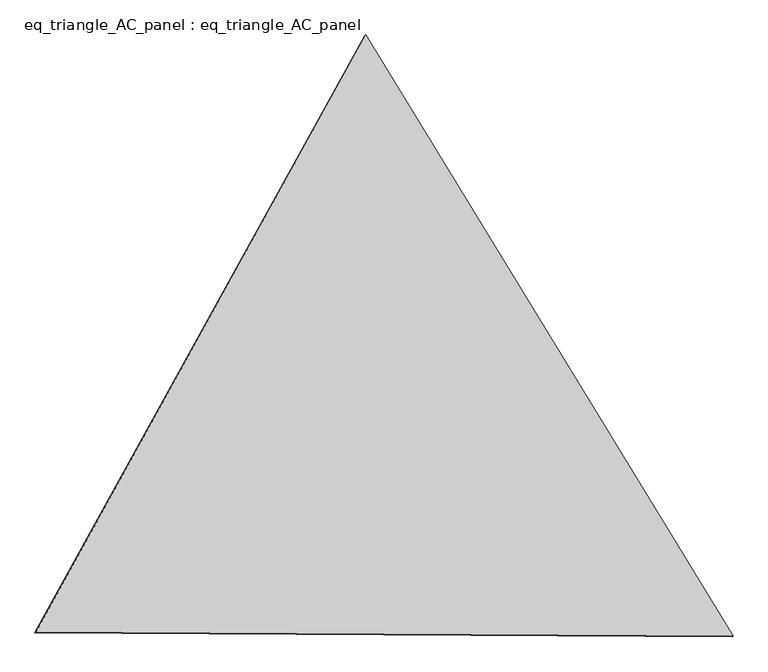
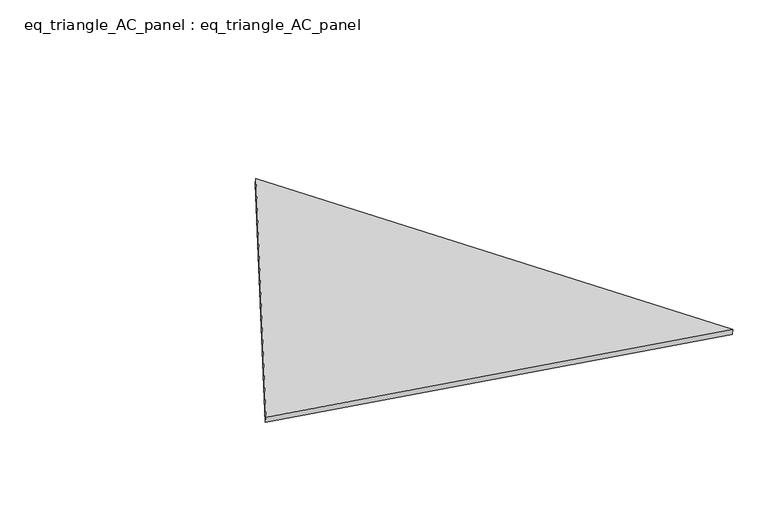
"""IFC4 building model written with IfcOpenShell, lengths in millimetres: proxy geometry, eq_triangle_AC_panel : eq_triangle_AC_panel."""

from ifc_helpers import new_model, si_unit, frame, origin, place, context, project, spatial, polyline, outline, extrude, source, transform, mapped, element, save


def eq_triangle_ac_panel_eq_triangle_ac_panel_615bb75b(model_context):
    return source(origin(), model_context, "Body", "SweptSolid", [
        extrude(outline(polyline([(-2032.8306629, 1173.1700195), (2091.2842303, 1173.1700196), (-58.4535675, -2346.3400391), (-2032.8306629, 1173.1700195)])), frame((0.0038051, 527.9290861, 89.8240019), z_axis=(0.14526328518058204, 0.08386570281802189, 0.9858321976225894), x_axis=(0.5211103640698413, -0.8534790669542658, -0.004179800219329768)), (0.0, 0.0, 1.0), 43.8306294),
    ])


if __name__ == "__main__":
    model = new_model("IFC4")
    model_context = context("Model", 3, world=origin())
    ifc_project = project(units=[si_unit("LENGTHUNIT", "METRE", prefix="MILLI")], contexts=[model_context])
    site = spatial("IfcSite", under=ifc_project)
    building = spatial("IfcBuilding", under=site)
    placement = place(None, origin())
    eq_triangle_ac_panel_eq_triangle_ac_panel_shape = eq_triangle_ac_panel_eq_triangle_ac_panel_615bb75b(model_context)
    element("IfcBuildingElementProxy", 1, Name="eq_triangle_AC_panel : eq_triangle_AC_panel", ObjectType="eq_triangle_AC_panel : eq_triangle_AC_panel", at=placement, inside=building, context=model_context, shape_type="MappedRepresentation", body=[
        mapped(eq_triangle_ac_panel_eq_triangle_ac_panel_shape, transform((0.0, 0.0, 0.0), x_axis=(1.0, 0.0, 0.0), y_axis=(0.0, 1.0, 0.0), z_axis=(0.0, 0.0, 1.0))),
    ])
    save(model, "model.ifc")
